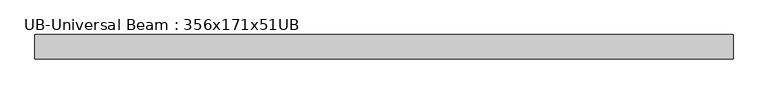
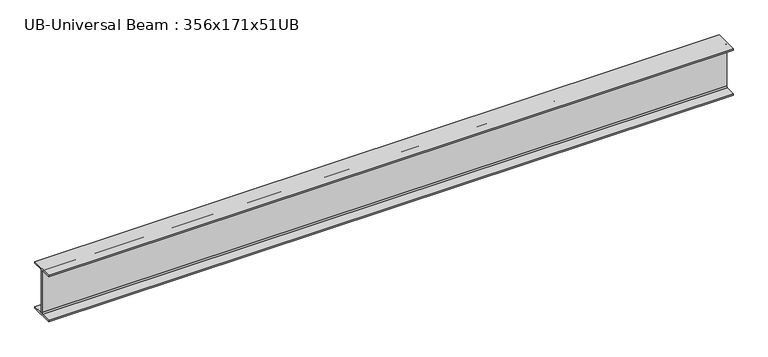
"""IFC4 building model written with IfcOpenShell, lengths in millimetres: beam geometry, UB-Universal Beam : 356x171x51UB."""

from ifc_helpers import new_model, si_unit, point, frame, frame_2d, origin, place, context, project, spatial, polyline, circle_curve, trimmed, segment, composite_curve, outline, extrude, source, transform, mapped, element, save


def ub_universal_beam_356x171x51ub_188474a2(model_context):
    return source(origin(), model_context, "Body", "SweptSolid", [
        extrude(outline(composite_curve([segment(polyline([(85.75, -166.0), (85.75, -177.5), (-85.75, -177.5), (-85.75, -166.0), (-13.9, -166.0)]), True, "CONTINUOUS"), segment(trimmed(circle_curve(frame_2d((-13.9, -155.8)), 10.2), [point((-13.9, -166.0))], [point((-3.7, -155.8))], True, "CARTESIAN"), True, "CONTINUOUS"), segment(polyline([(-3.7, -155.8), (-3.7, 155.8)]), True, "CONTINUOUS"), segment(trimmed(circle_curve(frame_2d((-13.9, 155.8)), 10.2), [point((-3.7, 155.8))], [point((-13.9, 166.0))], True, "CARTESIAN"), True, "CONTINUOUS"), segment(polyline([(-13.9, 166.0), (-85.75, 166.0), (-85.75, 177.5), (85.75, 177.5), (85.75, 166.0), (13.9, 166.0)]), True, "CONTINUOUS"), segment(trimmed(circle_curve(frame_2d((13.9, 155.8)), 10.2), [point((13.9, 166.0))], [point((3.7, 155.8))], True, "CARTESIAN"), True, "CONTINUOUS"), segment(polyline([(3.7, 155.8), (3.7, -155.8)]), True, "CONTINUOUS"), segment(trimmed(circle_curve(frame_2d((13.9, -155.8)), 10.2), [point((3.7, -155.8))], [point((13.9, -166.0))], True, "CARTESIAN"), True, "CONTINUOUS"), segment(polyline([(13.9, -166.0), (85.75, -166.0)]), True, "CONTINUOUS")], self_intersect=False)), frame((-2392.3, 0.0, 0.0), z_axis=(1.0, 0.0, 0.0), x_axis=(0.0, 1.0, 0.0)), (0.0, 0.0, 1.0), 4942.3),
    ])


if __name__ == "__main__":
    model = new_model("IFC4")
    model_context = context("Model", 3, world=origin())
    ifc_project = project(units=[si_unit("LENGTHUNIT", "METRE", prefix="MILLI")], contexts=[model_context])
    site = spatial("IfcSite", under=ifc_project)
    building = spatial("IfcBuilding", under=site)
    placement = place(None, origin())
    ub_universal_beam_356x171x51ub_shape = ub_universal_beam_356x171x51ub_188474a2(model_context)
    element("IfcBeam", 1, ObjectType="UB-Universal Beam : 356x171x51UB", at=placement, inside=building, context=model_context, shape_type="MappedRepresentation", body=[
        mapped(ub_universal_beam_356x171x51ub_shape, transform((0.0, 0.0, 0.0), x_axis=(1.0, 0.0, 0.0), y_axis=(0.0, 1.0, 0.0), z_axis=(0.0, 0.0, 1.0))),
    ])
    save(model, "model.ifc")
